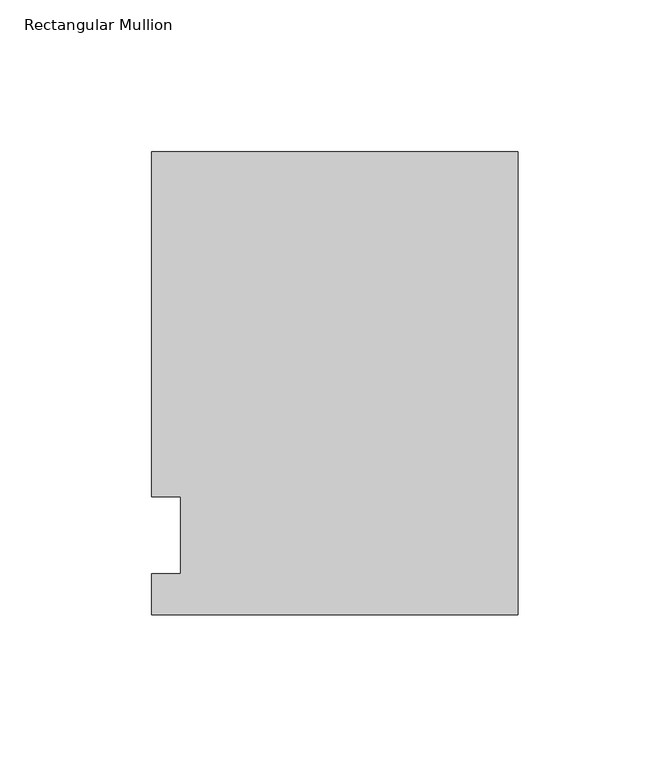
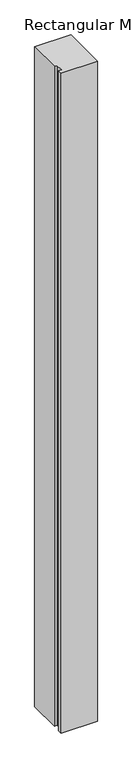
"""IFC4 building model written with IfcOpenShell, lengths in millimetres: member geometry, Rectangular Mullion."""

from ifc_helpers import new_model, si_unit, frame, origin, place, context, project, spatial, polyline, outline, extrude, source, transform, mapped, element, save


def rectangular_mullion_1cbd765a(model_context):
    return source(origin(), model_context, "Body", "SweptSolid", [
        extrude(outline(polyline([(0.0, -26.19375), (-120.65, -26.19375), (-120.65, -12.7), (-111.125, -12.7), (-111.125, 12.7), (-120.65, 12.7), (-120.65, 126.20625), (0.0, 126.20625), (0.0, -26.19375)])), frame((0.0, 0.0, -2324.1), z_axis=(0.0, 0.0, 1.0), x_axis=(1.0, 0.0, 0.0)), (0.0, 0.0, 1.0), 2324.1),
    ])


if __name__ == "__main__":
    model = new_model("IFC4")
    model_context = context("Model", 3, world=origin())
    ifc_project = project(units=[si_unit("LENGTHUNIT", "METRE", prefix="MILLI")], contexts=[model_context])
    site = spatial("IfcSite", under=ifc_project)
    building = spatial("IfcBuilding", under=site)
    placement = place(None, origin())
    rectangular_mullion_shape = rectangular_mullion_1cbd765a(model_context)
    element("IfcMember", 1, ObjectType="Rectangular Mullion", at=placement, inside=building, context=model_context, shape_type="MappedRepresentation", body=[
        mapped(rectangular_mullion_shape, transform((0.0, 0.0, 0.0), x_axis=(1.0, 0.0, 0.0), y_axis=(0.0, 1.0, 0.0), z_axis=(0.0, 0.0, 1.0))),
    ])
    save(model, "model.ifc")
